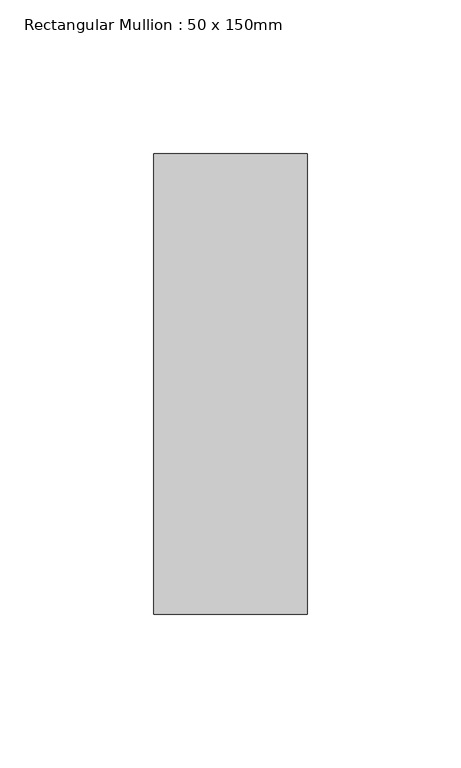
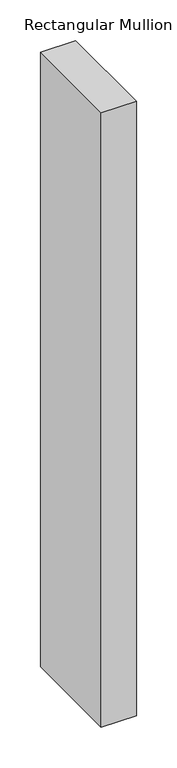
"""IFC4 building model written with IfcOpenShell, lengths in millimetres: member geometry, Rectangular Mullion : 50 x 150mm."""

import ifcopenshell
import ifcopenshell.guid

model = None  # the IFC model being written
_history = None  # IfcOwnerHistory: only IFC2X3 demands one
_inside = {}  # id of a spatial element -> (the spatial element, [elements in it])
_under = {}  # id of a project, library or spatial element -> (it, [spatial elements below it])
_declared = {}  # id of a project -> (the project, [libraries it declares])
_typed = {}  # id of a type object -> (the type object, [elements of that type])
_made_of = {}  # id of a material, layer set ... -> (it, [elements and type objects made of it])


def new_model(schema):
    """Start an empty IFC model of exactly this schema.

    Asked for "IFC4X3", IfcOpenShell would pick the latest addendum, in which some entities
    have other attributes; the version numbers below select the first issue.
    IFC2X3 requires an IfcOwnerHistory on every rooted entity: one is made here for all.
    """
    global model, _history
    if schema == "IFC4X3":
        model = ifcopenshell.file(schema_version=(4, 3, 0, 0))
    else:
        model = ifcopenshell.file(schema=schema)
    _inside.clear()
    _under.clear()
    _declared.clear()
    _typed.clear()
    _made_of.clear()
    _history = None
    if model.schema == "IFC2X3":
        org = make("IfcOrganization", Name="unknown")
        user = make(
            "IfcPersonAndOrganization",
            ThePerson=make("IfcPerson", FamilyName="unknown"),
            TheOrganization=org,
        )
        app = make(
            "IfcApplication",
            ApplicationDeveloper=org,
            Version="unknown",
            ApplicationFullName="unknown",
            ApplicationIdentifier="unknown",
        )
        _history = make(
            "IfcOwnerHistory",
            OwningUser=user,
            OwningApplication=app,
            ChangeAction="ADDED",
            CreationDate=0,
        )
    return model


def make(cls, **values):
    """One entity of the class cls with the attributes given. An attribute that is None is left unset."""
    return model.create_entity(
        cls, **{name: value for name, value in values.items() if value is not None}
    )


def rooted(cls, **values):
    """An entity with a GlobalId (a new one), such as an element, a storey or a relation."""
    return make(cls, GlobalId=ifcopenshell.guid.new(), OwnerHistory=_history, **values)


def si_unit(unit_type, name, prefix=None):
    """IfcSIUnit, for example si_unit("LENGTHUNIT", "METRE", prefix="MILLI")."""
    return make("IfcSIUnit", UnitType=unit_type, Prefix=prefix, Name=name)


def assignment(units):
    """IfcUnitAssignment: the units of a project."""
    return None if units is None else make("IfcUnitAssignment", Units=units)


def point(xyz):
    """IfcCartesianPoint."""
    return None if xyz is None else make("IfcCartesianPoint", Coordinates=xyz)


def direction(xyz):
    """IfcDirection."""
    return None if xyz is None else make("IfcDirection", DirectionRatios=xyz)


def frame(location, z_axis=None, x_axis=None):
    """IfcAxis2Placement3D, a coordinate frame: its origin and axes. An axis left out is left unset."""
    return make(
        "IfcAxis2Placement3D",
        Location=point(location),
        Axis=direction(z_axis),
        RefDirection=direction(x_axis),
    )


def origin():
    """The frame at (0, 0, 0) with its axes left unset."""
    return frame((0.0, 0.0, 0.0))


def place(relative_to, where):
    """IfcLocalPlacement: puts the frame where relative to a parent placement (None: the world)."""
    return make(
        "IfcLocalPlacement", PlacementRelTo=relative_to, RelativePlacement=where
    )


def context(
    kind, dimensions, precision=None, world=None, true_north=None, identifier=None
):
    """IfcGeometricRepresentationContext, for example the 3D "Model" context."""
    return make(
        "IfcGeometricRepresentationContext",
        ContextIdentifier=identifier,
        ContextType=kind,
        CoordinateSpaceDimension=dimensions,
        Precision=precision,
        WorldCoordinateSystem=world,
        TrueNorth=true_north,
    )


def project(units=None, contexts=None):
    """IfcProject with its units and contexts."""
    return rooted(
        "IfcProject",
        Name="project",
        RepresentationContexts=contexts,
        UnitsInContext=assignment(units),
    )


def spatial(cls, under=None, at=None, **own):
    """A site, building, storey or space (cls), placed at a placement, below another one or the project."""
    s = rooted(cls, ObjectPlacement=at, **own)
    if under is not None:
        _under.setdefault(under.id(), (under, []))[1].append(s)
    return s


def polyline(points):
    """IfcPolyline through the points."""
    return make("IfcPolyline", Points=[point(p) for p in points])


def outline(outer, holes=None, kind="AREA"):
    """IfcArbitraryClosedProfileDef: a profile drawn as a closed curve; with holes, ...WithVoids."""
    if holes is None:
        return make("IfcArbitraryClosedProfileDef", ProfileType=kind, OuterCurve=outer)
    return make(
        "IfcArbitraryProfileDefWithVoids",
        ProfileType=kind,
        OuterCurve=outer,
        InnerCurves=holes,
    )


def extrude(swept, where, along, depth):
    """IfcExtrudedAreaSolid: the profile swept, set in the frame where, extruded along a direction by depth."""
    return make(
        "IfcExtrudedAreaSolid",
        SweptArea=swept,
        Position=where,
        ExtrudedDirection=direction(along),
        Depth=depth,
    )


def shape(context_of_items, identifier, shape_type, items):
    """IfcShapeRepresentation: the items that make up one representation, for example the "Body"."""
    return make(
        "IfcShapeRepresentation",
        ContextOfItems=context_of_items,
        RepresentationIdentifier=identifier,
        RepresentationType=shape_type,
        Items=items,
    )


def source(mapping_origin, context_of_items, identifier, shape_type, items):
    """IfcRepresentationMap: a shape defined once, which mapped items show again and again."""
    return make(
        "IfcRepresentationMap",
        MappingOrigin=mapping_origin,
        MappedRepresentation=shape(context_of_items, identifier, shape_type, items),
    )


def transform(
    local_origin,
    x_axis=None,
    y_axis=None,
    z_axis=None,
    scale=None,
    scale2=None,
    scale3=None,
    uniform=True,
):
    """IfcCartesianTransformationOperator3D, or its non-uniform kind. x_axis, y_axis, z_axis: its Axis1, 2, 3."""
    if uniform:
        return make(
            "IfcCartesianTransformationOperator3D",
            Axis1=direction(x_axis),
            Axis2=direction(y_axis),
            LocalOrigin=point(local_origin),
            Scale=scale,
            Axis3=direction(z_axis),
        )
    return make(
        "IfcCartesianTransformationOperator3DnonUniform",
        Axis1=direction(x_axis),
        Axis2=direction(y_axis),
        LocalOrigin=point(local_origin),
        Scale=scale,
        Axis3=direction(z_axis),
        Scale2=scale2,
        Scale3=scale3,
    )


def mapped(mapping_source, mapping_target):
    """IfcMappedItem: shows the shape of a source again, moved by a transform."""
    return make(
        "IfcMappedItem", MappingSource=mapping_source, MappingTarget=mapping_target
    )


def made_of(thing, what):
    """Note that an element or type object is made of a material, layer set ...; save() writes the relation."""
    if what is not None:
        _made_of.setdefault(what.id(), (what, []))[1].append(thing)
    return thing


def element(
    cls,
    number,
    at=None,
    inside=None,
    cuts=None,
    type_object=None,
    material=None,
    context=None,
    identifier="Body",
    shape_type=None,
    held_by="IfcProductDefinitionShape",
    body=None,
    shapes=None,
    **own,
):
    """One element of the class cls, such as IfcWall. Its Tag is "e" and its number.

    at: its placement. inside: the storey or other place that contains it. cuts: it is an
    opening in that element (IfcRelVoidsElement). A single representation is given by context,
    identifier, shape_type and body (its items); several are given by shapes. held_by: the class
    of the entity that holds the representations. save() writes the other relations.
    """
    e = rooted(cls, Tag="e%d" % number, ObjectPlacement=at, **own)
    if body is not None:
        shapes = [shape(context, identifier, shape_type, body)]
    if shapes is not None:
        e.Representation = make(held_by, Representations=shapes)
    if inside is not None:
        _inside.setdefault(inside.id(), (inside, []))[1].append(e)
    if cuts is not None:
        rooted(
            "IfcRelVoidsElement", RelatingBuildingElement=cuts, RelatedOpeningElement=e
        )
    if type_object is not None:
        _typed.setdefault(type_object.id(), (type_object, []))[1].append(e)
    return made_of(e, material)


def aggregate(whole, parts):
    """IfcRelAggregates: a whole, such as a stair, and the parts it consists of."""
    return rooted("IfcRelAggregates", RelatingObject=whole, RelatedObjects=parts)


def save(model, path):
    """Write the relations noted so far, then the file.

    IfcRelAggregates (storeys below a building ...), IfcRelContainedInSpatialStructure (elements
    in a storey), IfcRelDefinesByType, IfcRelAssociatesMaterial and IfcRelDeclares: one each for
    every whole, place, type object, material and project.
    """
    for whole, parts in _under.values():
        aggregate(whole, parts)
    for where, things in _inside.values():
        rooted(
            "IfcRelContainedInSpatialStructure",
            RelatedElements=things,
            RelatingStructure=where,
        )
    for kind, things in _typed.values():
        rooted("IfcRelDefinesByType", RelatedObjects=things, RelatingType=kind)
    for what, things in _made_of.values():
        rooted("IfcRelAssociatesMaterial", RelatedObjects=things, RelatingMaterial=what)
    for by, libraries in _declared.values():
        rooted("IfcRelDeclares", RelatingContext=by, RelatedDefinitions=libraries)
    model.write(path)


def rectangular_mullion_50_x_150mm_116cff39(model_context):
    return source(origin(), model_context, "Body", "SweptSolid", [
        extrude(outline(polyline([(25.0, 75.0), (25.0, -75.0), (-25.0, -75.0), (-25.0, 75.0), (25.0, 75.0)])), frame((0.0, 0.0, -925.0), z_axis=(0.0, 0.0, 1.0), x_axis=(1.0, 0.0, 0.0)), (0.0, 0.0, 1.0), 925.0),
    ])


if __name__ == "__main__":
    model = new_model("IFC4")
    model_context = context("Model", 3, world=origin())
    ifc_project = project(units=[si_unit("LENGTHUNIT", "METRE", prefix="MILLI")], contexts=[model_context])
    site = spatial("IfcSite", under=ifc_project)
    building = spatial("IfcBuilding", under=site)
    placement = place(None, origin())
    rectangular_mullion_50_x_150mm_shape = rectangular_mullion_50_x_150mm_116cff39(model_context)
    element("IfcMember", 1, ObjectType="Rectangular Mullion : 50 x 150mm", at=placement, inside=building, context=model_context, shape_type="MappedRepresentation", body=[
        mapped(rectangular_mullion_50_x_150mm_shape, transform((0.0, 0.0, 0.0), x_axis=(1.0, 0.0, 0.0), y_axis=(0.0, 1.0, 0.0), z_axis=(0.0, 0.0, 1.0))),
    ])
    save(model, "model.ifc")
